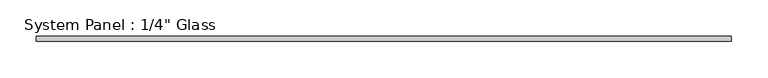
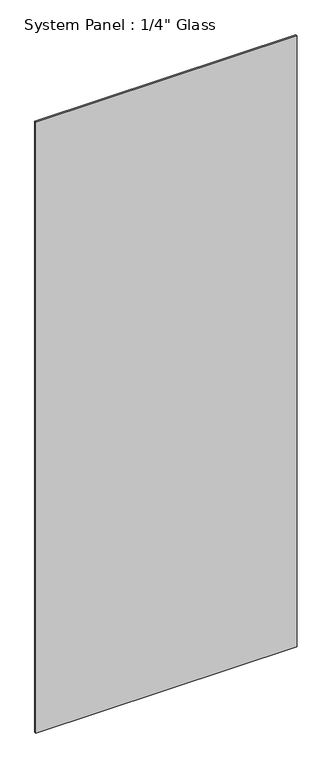
"""IFC4 building model written with IfcOpenShell, lengths in millimetres: plate geometry."""

from ifc_helpers import new_model, si_unit, origin, origin_with_axes, place, context, project, spatial, polyline, outline, extrude, source, transform, mapped, element, save


def plate_aca1f3a7(model_context):
    return source(origin(), model_context, "Body", "SweptSolid", [
        extrude(outline(polyline([(476.25, -3.175), (-476.25, -3.175), (-476.25, 3.175), (476.25, 3.175), (476.25, -3.175)])), origin_with_axes(), (0.0, 0.0, 1.0), 2352.675),
    ])


if __name__ == "__main__":
    model = new_model("IFC4")
    model_context = context("Model", 3, world=origin())
    ifc_project = project(units=[si_unit("LENGTHUNIT", "METRE", prefix="MILLI")], contexts=[model_context])
    site = spatial("IfcSite", under=ifc_project)
    building = spatial("IfcBuilding", under=site)
    placement = place(None, origin())
    plate_shape = plate_aca1f3a7(model_context)
    element("IfcPlate", 1, ObjectType="System Panel : 1/4\" Glass", at=placement, inside=building, context=model_context, shape_type="MappedRepresentation", body=[
        mapped(plate_shape, transform((0.0, 0.0, 0.0), x_axis=(1.0, 0.0, 0.0), y_axis=(0.0, 1.0, 0.0), z_axis=(0.0, 0.0, 1.0))),
    ])
    save(model, "model.ifc")
